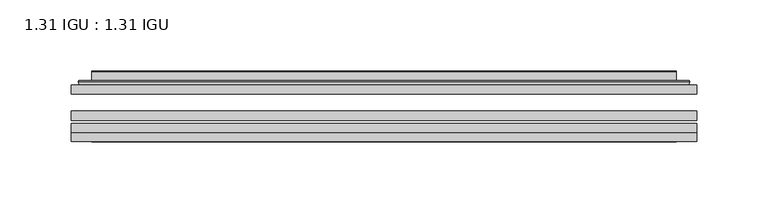
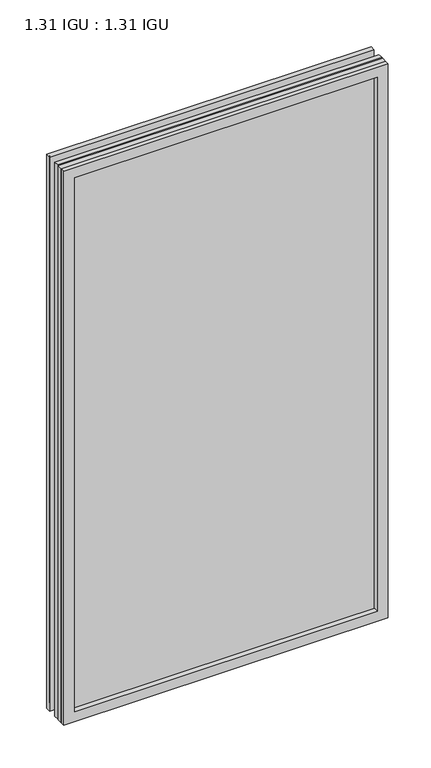
"""IFC4 building model written with IfcOpenShell, lengths in millimetres: plate geometry, 1.31 IGU : 1.31 IGU."""

import ifcopenshell
import ifcopenshell.guid

model = None  # the IFC model being written
_history = None  # IfcOwnerHistory: only IFC2X3 demands one
_inside = {}  # id of a spatial element -> (the spatial element, [elements in it])
_under = {}  # id of a project, library or spatial element -> (it, [spatial elements below it])
_declared = {}  # id of a project -> (the project, [libraries it declares])
_typed = {}  # id of a type object -> (the type object, [elements of that type])
_made_of = {}  # id of a material, layer set ... -> (it, [elements and type objects made of it])


def new_model(schema):
    """Start an empty IFC model of exactly this schema.

    Asked for "IFC4X3", IfcOpenShell would pick the latest addendum, in which some entities
    have other attributes; the version numbers below select the first issue.
    IFC2X3 requires an IfcOwnerHistory on every rooted entity: one is made here for all.
    """
    global model, _history
    if schema == "IFC4X3":
        model = ifcopenshell.file(schema_version=(4, 3, 0, 0))
    else:
        model = ifcopenshell.file(schema=schema)
    _inside.clear()
    _under.clear()
    _declared.clear()
    _typed.clear()
    _made_of.clear()
    _history = None
    if model.schema == "IFC2X3":
        org = make("IfcOrganization", Name="unknown")
        user = make(
            "IfcPersonAndOrganization",
            ThePerson=make("IfcPerson", FamilyName="unknown"),
            TheOrganization=org,
        )
        app = make(
            "IfcApplication",
            ApplicationDeveloper=org,
            Version="unknown",
            ApplicationFullName="unknown",
            ApplicationIdentifier="unknown",
        )
        _history = make(
            "IfcOwnerHistory",
            OwningUser=user,
            OwningApplication=app,
            ChangeAction="ADDED",
            CreationDate=0,
        )
    return model


def make(cls, **values):
    """One entity of the class cls with the attributes given. An attribute that is None is left unset."""
    return model.create_entity(
        cls, **{name: value for name, value in values.items() if value is not None}
    )


def rooted(cls, **values):
    """An entity with a GlobalId (a new one), such as an element, a storey or a relation."""
    return make(cls, GlobalId=ifcopenshell.guid.new(), OwnerHistory=_history, **values)


def si_unit(unit_type, name, prefix=None):
    """IfcSIUnit, for example si_unit("LENGTHUNIT", "METRE", prefix="MILLI")."""
    return make("IfcSIUnit", UnitType=unit_type, Prefix=prefix, Name=name)


def assignment(units):
    """IfcUnitAssignment: the units of a project."""
    return None if units is None else make("IfcUnitAssignment", Units=units)


def point(xyz):
    """IfcCartesianPoint."""
    return None if xyz is None else make("IfcCartesianPoint", Coordinates=xyz)


def direction(xyz):
    """IfcDirection."""
    return None if xyz is None else make("IfcDirection", DirectionRatios=xyz)


def frame(location, z_axis=None, x_axis=None):
    """IfcAxis2Placement3D, a coordinate frame: its origin and axes. An axis left out is left unset."""
    return make(
        "IfcAxis2Placement3D",
        Location=point(location),
        Axis=direction(z_axis),
        RefDirection=direction(x_axis),
    )


def origin():
    """The frame at (0, 0, 0) with its axes left unset."""
    return frame((0.0, 0.0, 0.0))


def place(relative_to, where):
    """IfcLocalPlacement: puts the frame where relative to a parent placement (None: the world)."""
    return make(
        "IfcLocalPlacement", PlacementRelTo=relative_to, RelativePlacement=where
    )


def context(
    kind, dimensions, precision=None, world=None, true_north=None, identifier=None
):
    """IfcGeometricRepresentationContext, for example the 3D "Model" context."""
    return make(
        "IfcGeometricRepresentationContext",
        ContextIdentifier=identifier,
        ContextType=kind,
        CoordinateSpaceDimension=dimensions,
        Precision=precision,
        WorldCoordinateSystem=world,
        TrueNorth=true_north,
    )


def project(units=None, contexts=None):
    """IfcProject with its units and contexts."""
    return rooted(
        "IfcProject",
        Name="project",
        RepresentationContexts=contexts,
        UnitsInContext=assignment(units),
    )


def spatial(cls, under=None, at=None, **own):
    """A site, building, storey or space (cls), placed at a placement, below another one or the project."""
    s = rooted(cls, ObjectPlacement=at, **own)
    if under is not None:
        _under.setdefault(under.id(), (under, []))[1].append(s)
    return s


def polyline(points):
    """IfcPolyline through the points."""
    return make("IfcPolyline", Points=[point(p) for p in points])


def ellipse_curve(where, semi_axis1, semi_axis2):
    """IfcEllipse in the frame where."""
    return make(
        "IfcEllipse", Position=where, SemiAxis1=semi_axis1, SemiAxis2=semi_axis2
    )


def outline(outer, holes=None, kind="AREA"):
    """IfcArbitraryClosedProfileDef: a profile drawn as a closed curve; with holes, ...WithVoids."""
    if holes is None:
        return make("IfcArbitraryClosedProfileDef", ProfileType=kind, OuterCurve=outer)
    return make(
        "IfcArbitraryProfileDefWithVoids",
        ProfileType=kind,
        OuterCurve=outer,
        InnerCurves=holes,
    )


def extrude(swept, where, along, depth):
    """IfcExtrudedAreaSolid: the profile swept, set in the frame where, extruded along a direction by depth."""
    return make(
        "IfcExtrudedAreaSolid",
        SweptArea=swept,
        Position=where,
        ExtrudedDirection=direction(along),
        Depth=depth,
    )


def faces_of(points, faces, orient=None, outer=None):
    """IfcFace entities. A face is a list of loops; a loop is a list of indices into points, from 0.

    orient and outer hold one flag for each loop. By default every Orientation is true, the
    first loop of a face is its IfcFaceOuterBound and the others are IfcFaceBound.
    """
    made = []
    for i, loops in enumerate(faces):
        bounds = []
        for j, loop in enumerate(loops):
            is_outer = j == 0 if outer is None else outer[i][j]
            bounds.append(
                make(
                    "IfcFaceOuterBound" if is_outer else "IfcFaceBound",
                    Bound=make("IfcPolyLoop", Polygon=[points[k] for k in loop]),
                    Orientation=True if orient is None else orient[i][j],
                )
            )
        made.append(make("IfcFace", Bounds=bounds))
    return made


def faceted_brep(points, faces, orient=None, outer=None, voids=None):
    """IfcFacetedBrep: a solid bounded by flat faces; with voids (closed shells), ...WithVoids."""
    shared = [point(p) for p in points]
    hull = make("IfcClosedShell", CfsFaces=faces_of(shared, faces, orient, outer))
    if voids is None:
        return make("IfcFacetedBrep", Outer=hull)
    return make(
        "IfcFacetedBrepWithVoids",
        Outer=hull,
        Voids=[
            make(cls, CfsFaces=faces_of(shared, fs, o, b)) for cls, fs, o, b in voids
        ],
    )


def shape(context_of_items, identifier, shape_type, items):
    """IfcShapeRepresentation: the items that make up one representation, for example the "Body"."""
    return make(
        "IfcShapeRepresentation",
        ContextOfItems=context_of_items,
        RepresentationIdentifier=identifier,
        RepresentationType=shape_type,
        Items=items,
    )


def source(mapping_origin, context_of_items, identifier, shape_type, items):
    """IfcRepresentationMap: a shape defined once, which mapped items show again and again."""
    return make(
        "IfcRepresentationMap",
        MappingOrigin=mapping_origin,
        MappedRepresentation=shape(context_of_items, identifier, shape_type, items),
    )


def transform(
    local_origin,
    x_axis=None,
    y_axis=None,
    z_axis=None,
    scale=None,
    scale2=None,
    scale3=None,
    uniform=True,
):
    """IfcCartesianTransformationOperator3D, or its non-uniform kind. x_axis, y_axis, z_axis: its Axis1, 2, 3."""
    if uniform:
        return make(
            "IfcCartesianTransformationOperator3D",
            Axis1=direction(x_axis),
            Axis2=direction(y_axis),
            LocalOrigin=point(local_origin),
            Scale=scale,
            Axis3=direction(z_axis),
        )
    return make(
        "IfcCartesianTransformationOperator3DnonUniform",
        Axis1=direction(x_axis),
        Axis2=direction(y_axis),
        LocalOrigin=point(local_origin),
        Scale=scale,
        Axis3=direction(z_axis),
        Scale2=scale2,
        Scale3=scale3,
    )


def mapped(mapping_source, mapping_target):
    """IfcMappedItem: shows the shape of a source again, moved by a transform."""
    return make(
        "IfcMappedItem", MappingSource=mapping_source, MappingTarget=mapping_target
    )


def made_of(thing, what):
    """Note that an element or type object is made of a material, layer set ...; save() writes the relation."""
    if what is not None:
        _made_of.setdefault(what.id(), (what, []))[1].append(thing)
    return thing


def element(
    cls,
    number,
    at=None,
    inside=None,
    cuts=None,
    type_object=None,
    material=None,
    context=None,
    identifier="Body",
    shape_type=None,
    held_by="IfcProductDefinitionShape",
    body=None,
    shapes=None,
    **own,
):
    """One element of the class cls, such as IfcWall. Its Tag is "e" and its number.

    at: its placement. inside: the storey or other place that contains it. cuts: it is an
    opening in that element (IfcRelVoidsElement). A single representation is given by context,
    identifier, shape_type and body (its items); several are given by shapes. held_by: the class
    of the entity that holds the representations. save() writes the other relations.
    """
    e = rooted(cls, Tag="e%d" % number, ObjectPlacement=at, **own)
    if body is not None:
        shapes = [shape(context, identifier, shape_type, body)]
    if shapes is not None:
        e.Representation = make(held_by, Representations=shapes)
    if inside is not None:
        _inside.setdefault(inside.id(), (inside, []))[1].append(e)
    if cuts is not None:
        rooted(
            "IfcRelVoidsElement", RelatingBuildingElement=cuts, RelatedOpeningElement=e
        )
    if type_object is not None:
        _typed.setdefault(type_object.id(), (type_object, []))[1].append(e)
    return made_of(e, material)


def aggregate(whole, parts):
    """IfcRelAggregates: a whole, such as a stair, and the parts it consists of."""
    return rooted("IfcRelAggregates", RelatingObject=whole, RelatedObjects=parts)


def save(model, path):
    """Write the relations noted so far, then the file.

    IfcRelAggregates (storeys below a building ...), IfcRelContainedInSpatialStructure (elements
    in a storey), IfcRelDefinesByType, IfcRelAssociatesMaterial and IfcRelDeclares: one each for
    every whole, place, type object, material and project.
    """
    for whole, parts in _under.values():
        aggregate(whole, parts)
    for where, things in _inside.values():
        rooted(
            "IfcRelContainedInSpatialStructure",
            RelatedElements=things,
            RelatingStructure=where,
        )
    for kind, things in _typed.values():
        rooted("IfcRelDefinesByType", RelatedObjects=things, RelatingType=kind)
    for what, things in _made_of.values():
        rooted("IfcRelAssociatesMaterial", RelatedObjects=things, RelatingMaterial=what)
    for by, libraries in _declared.values():
        rooted("IfcRelDeclares", RelatingContext=by, RelatedDefinitions=libraries)
    model.write(path)


def plane_surface(at):
    """IfcPlane: the flat surface through the origin of the frame at, square to its z axis."""
    return make("IfcPlane", Position=at)


def cylinder_surface(at, radius):
    """IfcCylindricalSurface: all points at the distance radius from the z axis of the frame at."""
    return make("IfcCylindricalSurface", Position=at, Radius=radius)


def advanced_brep(points, edges, surfaces, faces):
    """IfcAdvancedBrep: a solid bounded by faces that lie on surfaces and meet in shared edges.

    An edge is (start, end): straight between two places in points (the first is 0);
    or (start, end, curve); or (start, end, curve, False) where it runs against its curve.
    A face is (place in surfaces, loops), or (place, loops, False) where it looks against
    its surface's normal. A loop lists edges by number (the first is 1), with a minus sign
    where the edge is run from its end to its start. The first loop is the outer one.
    """
    corners = [point(p) for p in points]
    vertices = [make("IfcVertexPoint", VertexGeometry=c) for c in corners]
    made = []
    for start, end, *more in edges:
        made.append(
            make(
                "IfcEdgeCurve",
                EdgeStart=vertices[start],
                EdgeEnd=vertices[end],
                EdgeGeometry=more[0] if more else make("IfcPolyline", Points=[corners[start], corners[end]]),
                SameSense=more[1] if len(more) > 1 else True,
            )
        )
    hull = []
    for where, loops, *sense in faces:
        bounds = []
        for j, loop in enumerate(loops):
            ring = [make("IfcOrientedEdge", EdgeElement=made[abs(k) - 1], Orientation=k > 0) for k in loop]
            bounds.append(
                make(
                    "IfcFaceOuterBound" if j == 0 else "IfcFaceBound",
                    Bound=make("IfcEdgeLoop", EdgeList=ring),
                    Orientation=True,
                )
            )
        hull.append(make("IfcAdvancedFace", Bounds=bounds, FaceSurface=surfaces[where], SameSense=sense[0] if sense else True))
    return make("IfcAdvancedBrep", Outer=make("IfcClosedShell", CfsFaces=hull))


def plate_1_31_igu_1_31_igu_09e9ddda(model_context):
    return source(origin(), model_context, "Body", "SolidModel", [
        extrude(outline(polyline([(219.089175, -63.59525), (219.089175, -69.94525), (-219.075, -69.94525), (-219.075, -63.59525), (219.089175, -63.59525)])), frame((0.0, 0.0, -14.2875), z_axis=(0.0, 0.0, 1.0), x_axis=(1.0, 0.0, 0.0)), (0.0, 0.0, 1.0), 790.6015278),
        extrude(outline(polyline([(-219.075, -78.58125), (-219.075, -72.230745), (219.089175, -72.230745), (219.089175, -78.58125), (-219.075, -78.58125)])), frame((0.0, 0.0, -14.2875), z_axis=(0.0, 0.0, 1.0), x_axis=(1.0, 0.0, 0.0)), (0.0, 0.0, 1.0), 790.6015278),
        extrude(outline(polyline([(219.089175, -45.25645), (219.089175, -51.60645), (-219.075, -51.60645), (-219.075, -45.25645), (219.089175, -45.25645)])), frame((0.0, 0.0, -14.2875), z_axis=(0.0, 0.0, 1.0), x_axis=(1.0, 0.0, 0.0)), (0.0, 0.0, 1.0), 790.6015278),
        faceted_brep([(-219.0877, -84.93125, 776.3229299), (-219.0877, -78.58125, 776.3229299), (-219.0877, -78.58125, -14.3002), (-219.0877, -84.93125, -14.3002), (219.0877, -78.58125, -14.3002), (219.0877, -84.93125, -14.3002), (219.0877, -78.58125, 776.3229299), (219.0877, -84.93125, 776.3229299), (-203.8897559, -78.58125, 0.8977441), (203.8897559, -78.58125, 0.8977441), (203.8897559, -78.58125, 761.1249858), (-203.8897559, -78.58125, 761.1249858), (-204.7821902, -84.93125, 762.0174201), (204.7821902, -84.93125, 762.0174201), (204.7821902, -84.93125, 0.0053098), (-204.7821902, -84.93125, 0.0053098)], [[[0, 1, 2, 3]], [[3, 2, 4, 5]], [[5, 4, 6, 7]], [[1, 6, 4, 2], [8, 9, 10, 11]], [[7, 6, 1, 0]], [[3, 5, 7, 0], [12, 13, 14, 15]], [[11, 12, 15, 8]], [[8, 15, 14, 9]], [[9, 14, 13, 10]], [[10, 13, 12, 11]]]),
        advanced_brep(
        [(-211.833719, -45.25645, 769.0689489), (-214.1879244, -43.2667833, 771.4231543), (-214.1879244, -43.2667833, -9.4004244), (-211.833719, -45.25645, -7.046219), (-202.7593939, -41.416413, 759.9946238), (-197.8245621, -45.25645, 755.0597919), (-197.8245621, -45.25645, 6.9629379), (-202.7593939, -41.416413, 2.0281061), (-203.7914217, -36.0191819, 761.0266515), (-203.7914217, -36.0191819, 0.9960783), (-204.7820784, -35.6202069, 762.0173083), (-204.7820784, -35.6202069, 0.0054216), (-204.7820784, -42.08145, 762.0173083), (-204.7820784, -42.08145, 0.0054216), (-213.1861349, -42.08145, 770.4213648), (-213.1861349, -42.08145, -8.3986349), (214.1879244, -43.2667833, -9.4004244), (211.833719, -45.25645, -7.046219), (197.8245621, -45.25645, 6.9629379), (202.7593939, -41.416413, 2.0281061), (203.7914217, -36.0191819, 0.9960783), (204.7820784, -35.6202069, 0.0054216), (204.7820784, -42.08145, 0.0054216), (213.1861349, -42.08145, -8.3986349), (214.1879244, -43.2667833, 771.4231543), (211.833719, -45.25645, 769.0689489), (197.8245621, -45.25645, 755.0597919), (202.7593939, -41.416413, 759.9946238), (203.7914217, -36.0191819, 761.0266515), (204.7820784, -35.6202069, 762.0173083), (204.7820784, -42.08145, 762.0173083), (213.1861349, -42.08145, 770.4213648)],
        [
            (0, 1, ellipse_curve(frame((-211.833719, -42.86885, 769.0689489), z_axis=(-0.7071067811865475, 0.0, -0.7071067811865475), x_axis=(-0.7071067811865474, 0.0, 0.7071067811865476)), 3.3765763, 2.3876)),
            (1, 2),
            (2, 3, ellipse_curve(frame((-211.833719, -42.86885, -7.046219), z_axis=(-0.7071067811865475, 0.0, 0.7071067811865475), x_axis=(0.7071067811865474, 0.0, 0.7071067811865476)), 3.3765763, 2.3876)),
            (3, 0),
            (4, 5),
            (5, 6),
            (6, 7),
            (7, 4),
            (8, 4),
            (7, 9),
            (9, 8),
            (10, 8, ellipse_curve(frame((-204.4151219, -36.1384423, 761.6503517), z_axis=(-0.7071067811865475, 0.0, -0.7071067811865475), x_axis=(-0.7071067811865474, 0.0, 0.7071067811865476)), 0.8980256, 0.635)),
            (9, 11, ellipse_curve(frame((-204.4151219, -36.1384423, 0.3723781), z_axis=(-0.7071067811865475, 0.0, 0.7071067811865475), x_axis=(0.7071067811865474, 0.0, 0.7071067811865476)), 0.8980256, 0.635)),
            (11, 10),
            (12, 10),
            (11, 13),
            (13, 12),
            (1, 14, ellipse_curve(frame((-213.1861349, -43.09745, 770.4213648), z_axis=(-0.7071067811865475, 0.0, -0.7071067811865475), x_axis=(-0.7071067811865474, 0.0, 0.7071067811865476)), 1.436841, 1.016)),
            (14, 15),
            (15, 2, ellipse_curve(frame((-213.1861349, -43.09745, -8.3986349), z_axis=(-0.7071067811865475, 0.0, 0.7071067811865475), x_axis=(0.7071067811865474, 0.0, 0.7071067811865476)), 1.436841, 1.016)),
            (2, 16),
            (16, 17, ellipse_curve(frame((211.833719, -42.86885, -7.046219), z_axis=(-0.7071067811865475, 0.0, -0.7071067811865475), x_axis=(-0.7071067811865476, 0.0, 0.7071067811865474)), 3.3765763, 2.3876)),
            (17, 3),
            (6, 18),
            (18, 19),
            (19, 7),
            (19, 20),
            (20, 9),
            (20, 21, ellipse_curve(frame((204.4151219, -36.1384423, 0.3723781), z_axis=(-0.7071067811865475, 0.0, -0.7071067811865475), x_axis=(-0.7071067811865476, 0.0, 0.7071067811865474)), 0.8980256, 0.635)),
            (21, 11),
            (21, 22),
            (22, 13),
            (15, 23),
            (23, 16, ellipse_curve(frame((213.1861349, -43.09745, -8.3986349), z_axis=(-0.7071067811865475, 0.0, -0.7071067811865475), x_axis=(-0.7071067811865476, 0.0, 0.7071067811865474)), 1.436841, 1.016)),
            (16, 24),
            (24, 25, ellipse_curve(frame((211.833719, -42.86885, 769.0689489), z_axis=(0.7071067811865475, 0.0, -0.7071067811865475), x_axis=(-0.7071067811865474, 0.0, -0.7071067811865476)), 3.3765763, 2.3876)),
            (25, 17),
            (18, 26),
            (26, 27),
            (27, 19),
            (27, 28),
            (28, 20),
            (28, 29, ellipse_curve(frame((204.4151219, -36.1384423, 761.6503517), z_axis=(0.7071067811865475, 0.0, -0.7071067811865475), x_axis=(-0.7071067811865474, 0.0, -0.7071067811865476)), 0.8980256, 0.635)),
            (29, 21),
            (29, 30),
            (30, 22),
            (23, 31),
            (31, 24, ellipse_curve(frame((213.1861349, -43.09745, 770.4213648), z_axis=(0.7071067811865475, 0.0, -0.7071067811865475), x_axis=(-0.7071067811865474, 0.0, -0.7071067811865476)), 1.436841, 1.016)),
            (24, 1),
            (0, 25),
            (5, 26),
            (4, 27),
            (8, 28),
            (10, 29),
            (12, 30),
            (14, 31),
        ],
        [
            cylinder_surface(frame((-211.833719, -42.86885, 793.7727299), z_axis=(0.0, 0.0, 1.0), x_axis=(-1.0, 0.0, 0.0)), 2.3876),
            plane_surface(frame((-197.8245621, -45.25645, 755.0597919), z_axis=(0.6141233906514794, 0.7892100234124821, 0.0), x_axis=(0.0, 0.0, -1.0))),
            plane_surface(frame((-202.7593939, -41.416413, 759.9946238), z_axis=(0.9822050625507729, 0.18781164793386076, 0.0), x_axis=(0.0, 0.0, -1.0))),
            cylinder_surface(frame((-204.4151219, -36.1384423, 793.7727299), z_axis=(0.0, 0.0, 1.0), x_axis=(-1.0, 0.0, 0.0)), 0.635),
            plane_surface(frame((-204.7820784, -35.6202069, 762.0173083), z_axis=(-1.0, 0.0, 0.0), x_axis=(0.0, 0.0, -1.0))),
            cylinder_surface(frame((-213.1861349, -43.09745, 793.7727299), z_axis=(0.0, 0.0, 1.0), x_axis=(-1.0, 0.0, 0.0)), 1.016),
            cylinder_surface(frame((-236.5375, -42.86885, -7.046219), z_axis=(-1.0, 0.0, 0.0), x_axis=(0.0, 0.0, -1.0)), 2.3876),
            plane_surface(frame((-197.8245621, -45.25645, 6.9629379), z_axis=(0.0, 0.7892100234124841, 0.6141233906514768), x_axis=(1.0, 0.0, 0.0))),
            plane_surface(frame((-202.7593939, -41.416413, 2.0281061), z_axis=(0.0, 0.18781164793386393, 0.9822050625507723), x_axis=(1.0, 0.0, 0.0))),
            cylinder_surface(frame((-236.5375, -36.1384423, 0.3723781), z_axis=(-1.0, 0.0, 0.0), x_axis=(0.0, 0.0, -1.0)), 0.635),
            plane_surface(frame((-204.7820784, -35.6202069, 0.0054216), z_axis=(0.0, 0.0, -1.0), x_axis=(1.0, 0.0, 0.0))),
            cylinder_surface(frame((-236.5375, -43.09745, -8.3986349), z_axis=(-1.0, 0.0, 0.0), x_axis=(0.0, 0.0, -1.0)), 1.016),
            cylinder_surface(frame((211.833719, -42.86885, -31.75), z_axis=(0.0, 0.0, -1.0), x_axis=(1.0, 0.0, 0.0)), 2.3876),
            plane_surface(frame((197.8245621, -45.25645, 6.9629379), z_axis=(-0.6141233906514743, 0.7892100234124861, 0.0), x_axis=(0.0, 0.0, 1.0))),
            plane_surface(frame((202.7593939, -41.416413, 2.0281061), z_axis=(-0.9822050625507718, 0.1878116479338671, 0.0), x_axis=(0.0, 0.0, 1.0))),
            cylinder_surface(frame((204.4151219, -36.1384423, -31.75), z_axis=(0.0, 0.0, -1.0), x_axis=(1.0, 0.0, 0.0)), 0.635),
            plane_surface(frame((204.7820784, -35.6202069, 0.0054216), z_axis=(1.0, 0.0, 0.0), x_axis=(0.0, 0.0, 1.0))),
            cylinder_surface(frame((213.1861349, -43.09745, -31.75), z_axis=(0.0, 0.0, -1.0), x_axis=(1.0, 0.0, 0.0)), 1.016),
            cylinder_surface(frame((236.5375, -42.86885, 769.0689489), z_axis=(1.0, 0.0, 0.0), x_axis=(0.0, 0.0, 1.0)), 2.3876),
            plane_surface(frame((211.833719, -45.25645, 769.0689489), z_axis=(0.0, -1.0, 0.0), x_axis=(-1.0, 0.0, 0.0))),
            plane_surface(frame((197.8245621, -45.25645, 755.0597919), z_axis=(0.0, 0.7892100234124841, -0.6141233906514768), x_axis=(-1.0, 0.0, 0.0))),
            plane_surface(frame((202.7593939, -41.416413, 759.9946238), z_axis=(0.0, 0.18781164793386393, -0.9822050625507723), x_axis=(-1.0, 0.0, 0.0))),
            cylinder_surface(frame((236.5375, -36.1384423, 761.6503517), z_axis=(1.0, 0.0, 0.0), x_axis=(0.0, 0.0, 1.0)), 0.635),
            plane_surface(frame((204.7820784, -35.6202069, 762.0173083), z_axis=(0.0, 0.0, 1.0), x_axis=(-1.0, 0.0, 0.0))),
            plane_surface(frame((204.7820784, -42.08145, 762.0173083), z_axis=(0.0, 1.0, 0.0), x_axis=(-1.0, 0.0, 0.0))),
            cylinder_surface(frame((236.5375, -43.09745, 770.4213648), z_axis=(1.0, 0.0, 0.0), x_axis=(0.0, 0.0, 1.0)), 1.016),
        ],
        [
            (0, [[1, 2, 3, 4]]),
            (1, [[5, 6, 7, 8]]),
            (2, [[9, -8, 10, 11]]),
            (3, [[12, -11, 13, 14]]),
            (4, [[15, -14, 16, 17]]),
            (5, [[18, 19, 20, -2]]),
            (6, [[-3, 21, 22, 23]]),
            (7, [[-7, 24, 25, 26]]),
            (8, [[-10, -26, 27, 28]]),
            (9, [[-13, -28, 29, 30]]),
            (10, [[-16, -30, 31, 32]]),
            (11, [[-20, 33, 34, -21]]),
            (12, [[-22, 35, 36, 37]]),
            (13, [[-25, 38, 39, 40]]),
            (14, [[-27, -40, 41, 42]]),
            (15, [[-29, -42, 43, 44]]),
            (16, [[-31, -44, 45, 46]]),
            (17, [[-34, 47, 48, -35]]),
            (18, [[-36, 49, -1, 50]]),
            (19, [[-23, -37, -50, -4], [51, -38, -24, -6]]),
            (20, [[-39, -51, -5, 52]]),
            (21, [[-41, -52, -9, 53]]),
            (22, [[-43, -53, -12, 54]]),
            (23, [[-45, -54, -15, 55]]),
            (24, [[56, -47, -33, -19], [-32, -46, -55, -17]]),
            (25, [[-48, -56, -18, -49]]),
        ],
    ),
    ])


if __name__ == "__main__":
    model = new_model("IFC4")
    model_context = context("Model", 3, world=origin())
    ifc_project = project(units=[si_unit("LENGTHUNIT", "METRE", prefix="MILLI")], contexts=[model_context])
    site = spatial("IfcSite", under=ifc_project)
    building = spatial("IfcBuilding", under=site)
    placement = place(None, origin())
    plate_1_31_igu_1_31_igu_shape = plate_1_31_igu_1_31_igu_09e9ddda(model_context)
    element("IfcPlate", 1, ObjectType="1.31 IGU : 1.31 IGU", at=placement, inside=building, context=model_context, shape_type="MappedRepresentation", body=[
        mapped(plate_1_31_igu_1_31_igu_shape, transform((0.0, 0.0, 0.0), x_axis=(1.0, 0.0, 0.0), y_axis=(0.0, 1.0, 0.0), z_axis=(0.0, 0.0, 1.0))),
    ])
    save(model, "model.ifc")
